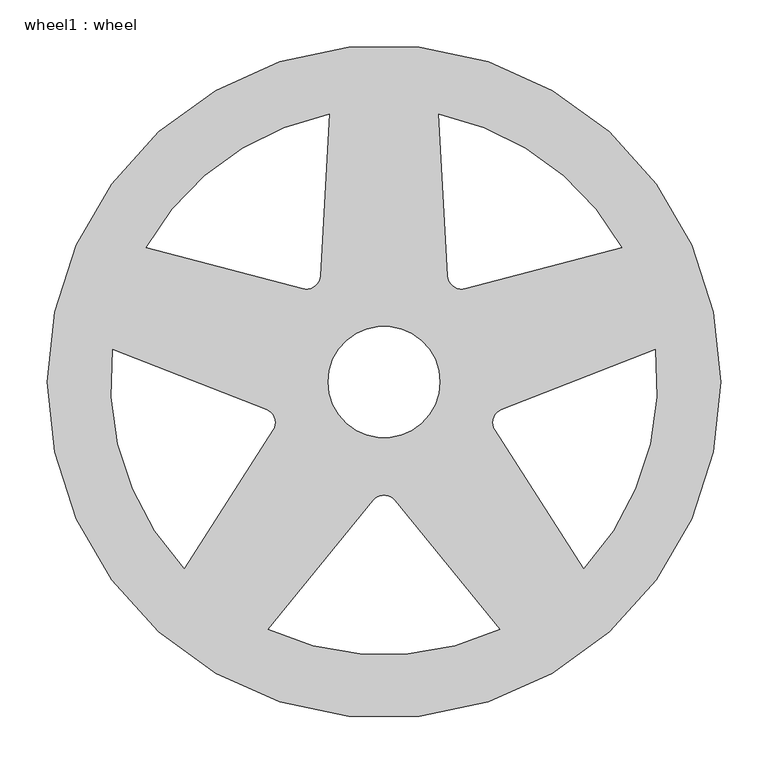
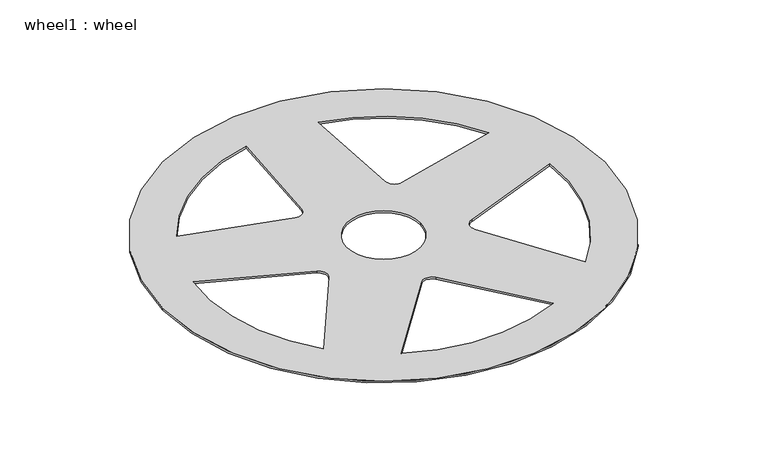
"""IFC4 building model written with IfcOpenShell, lengths in millimetres: proxy geometry, wheel1 : wheel."""

from ifc_helpers import new_model, si_unit, point, frame_2d, origin, origin_with_axes, place, context, project, spatial, polyline, circle_curve, trimmed, segment, composite_curve, outline, extrude, source, transform, mapped, element, save


def wheel1_wheel_75d7ccdf(model_context):
    return source(origin(), model_context, "Body", "SweptSolid", [
        extrude(outline(composite_curve([segment(trimmed(circle_curve(frame_2d((3514.7764719, 807.7299459)), 355.6), [point((3159.1764719, 807.7299459))], [point((3870.3764719, 807.7299459))], False, "CARTESIAN"), True, "CONTINUOUS"), segment(trimmed(circle_curve(frame_2d((3514.7764719, 807.7299459)), 355.6), [point((3870.3764719, 807.7299459))], [point((3159.1764719, 807.7299459))], False, "CARTESIAN"), True, "CONTINUOUS")], self_intersect=False), holes=[composite_curve([segment(polyline([(3303.7381125, 610.7238528), (3397.3270644, 756.674146)]), True, "CONTINUOUS"), segment(trimmed(circle_curve(frame_2d((3384.911906, 764.635224)), 14.7483871), [point((3397.3270644, 756.674146))], [point((3390.2765759, 778.3733184))], True, "CARTESIAN"), True, "CONTINUOUS"), segment(polyline([(3390.2765759, 778.3733184), (3228.0815832, 841.7098026)]), True, "CONTINUOUS"), segment(trimmed(circle_curve(frame_2d((3514.7764719, 807.7299459)), 288.7015585), [point((3228.0815832, 841.7098026))], [point((3303.7381125, 610.7238528))], True, "CARTESIAN"), True, "CONTINUOUS")], self_intersect=False), composite_curve([segment(polyline([(3263.523302, 949.9285202), (3428.7346277, 906.1898535)]), True, "CONTINUOUS"), segment(trimmed(circle_curve(frame_2d((3432.5091348, 920.4470629)), 14.7483871), [point((3428.7346277, 906.1898535))], [point((3447.2349335, 919.6311125))], True, "CARTESIAN"), True, "CONTINUOUS"), segment(polyline([(3447.2349335, 919.6311125), (3456.7044044, 1090.5306264)]), True, "CONTINUOUS"), segment(trimmed(circle_curve(frame_2d((3514.7764719, 807.7299459)), 288.7015585), [point((3456.7044044, 1090.5306264))], [point((3263.523302, 949.9285202))], True, "CARTESIAN"), True, "CONTINUOUS")], self_intersect=False), composite_curve([segment(polyline([(3572.8485394, 1090.5306264), (3582.3180103, 919.6311125)]), True, "CONTINUOUS"), segment(trimmed(circle_curve(frame_2d((3597.043809, 920.4470629)), 14.7483871), [point((3582.3180103, 919.6311125))], [point((3600.8183161, 906.1898535))], True, "CARTESIAN"), True, "CONTINUOUS"), segment(polyline([(3600.8183161, 906.1898535), (3766.0296418, 949.9285202)]), True, "CONTINUOUS"), segment(trimmed(circle_curve(frame_2d((3514.7764719, 807.7299459)), 288.7015585), [point((3766.0296418, 949.9285202))], [point((3572.8485394, 1090.5306264))], True, "CARTESIAN"), True, "CONTINUOUS")], self_intersect=False), composite_curve([segment(polyline([(3801.4713606, 841.7098026), (3639.2763679, 778.3733184)]), True, "CONTINUOUS"), segment(trimmed(circle_curve(frame_2d((3644.6410378, 764.635224)), 14.7483871), [point((3639.2763679, 778.3733184))], [point((3632.2258794, 756.674146))], True, "CARTESIAN"), True, "CONTINUOUS"), segment(polyline([(3632.2258794, 756.674146), (3725.8148313, 610.7238528)]), True, "CONTINUOUS"), segment(trimmed(circle_curve(frame_2d((3514.7764719, 807.7299459)), 288.7015585), [point((3725.8148313, 610.7238528))], [point((3801.4713606, 841.7098026))], True, "CARTESIAN"), True, "CONTINUOUS")], self_intersect=False), composite_curve([segment(polyline([(3637.108761, 546.2277453), (3526.2102897, 682.3409209)]), True, "CONTINUOUS"), segment(trimmed(circle_curve(frame_2d((3514.7764719, 673.0251959)), 14.7483871), [point((3526.2102897, 682.3409209))], [point((3503.3426541, 682.3409209))], True, "CARTESIAN"), True, "CONTINUOUS"), segment(polyline([(3503.3426541, 682.3409209), (3392.4441828, 546.2277453)]), True, "CONTINUOUS"), segment(trimmed(circle_curve(frame_2d((3514.7764719, 807.7299459)), 288.7015585), [point((3392.4441828, 546.2277453))], [point((3637.108761, 546.2277453))], True, "CARTESIAN"), True, "CONTINUOUS")], self_intersect=False), composite_curve([segment(trimmed(circle_curve(frame_2d((3514.7764719, 807.7299459)), 58.9935484), [point((3455.7829235, 807.7299459))], [point((3573.7700203, 807.7299459))], True, "CARTESIAN"), True, "CONTINUOUS"), segment(trimmed(circle_curve(frame_2d((3514.7764719, 807.7299459)), 58.9935484), [point((3573.7700203, 807.7299459))], [point((3455.7829235, 807.7299459))], True, "CARTESIAN"), True, "CONTINUOUS")], self_intersect=False)]), origin_with_axes(), (0.0, 0.0, 1.0), 3.175),
    ])


if __name__ == "__main__":
    model = new_model("IFC4")
    model_context = context("Model", 3, world=origin())
    ifc_project = project(units=[si_unit("LENGTHUNIT", "METRE", prefix="MILLI")], contexts=[model_context])
    site = spatial("IfcSite", under=ifc_project)
    building = spatial("IfcBuilding", under=site)
    placement = place(None, origin())
    wheel1_wheel_shape = wheel1_wheel_75d7ccdf(model_context)
    element("IfcBuildingElementProxy", 1, Name="wheel1 : wheel", ObjectType="wheel1 : wheel", at=placement, inside=building, context=model_context, shape_type="MappedRepresentation", body=[
        mapped(wheel1_wheel_shape, transform((0.0, 0.0, 0.0), x_axis=(1.0, 0.0, 0.0), y_axis=(0.0, 1.0, 0.0), z_axis=(0.0, 0.0, 1.0))),
    ])
    save(model, "model.ifc")
